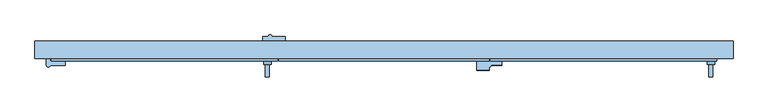
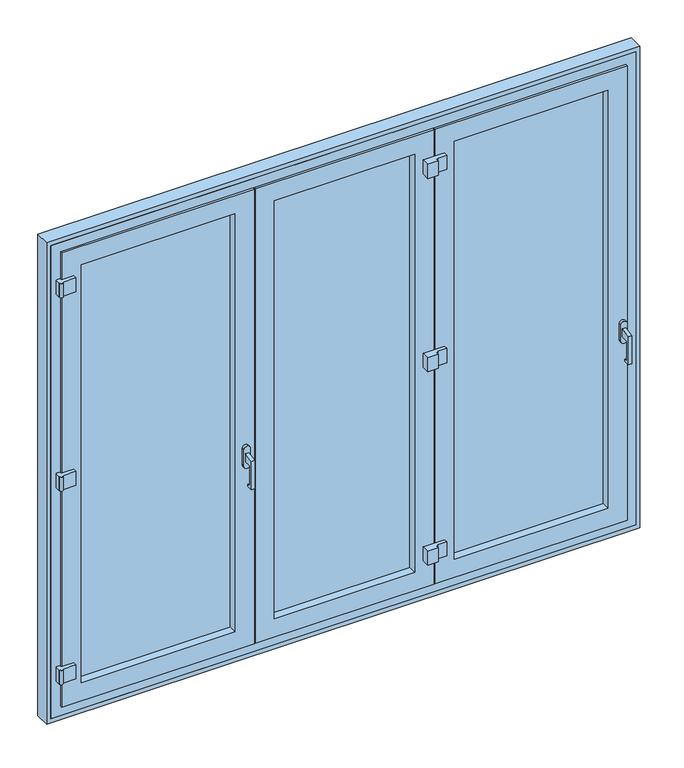
"""IFC4 building model written with IfcOpenShell, lengths in millimetres: window geometry."""

from ifc_helpers import new_model, si_unit, point, frame, frame_2d, origin, place, context, project, spatial, polyline, circle_curve, trimmed, segment, composite_curve, outline, extrude, faceted_brep, source, transform, mapped, element, save
from ifc_brep_helpers import plane_surface, cylinder_surface, advanced_brep


def window_a9c3b11c(model_context):
    return source(origin(), model_context, "Body", "SolidModel", [
        extrude(outline(polyline([(-29.0, 1000.0), (-29.0, 900.0), (-14.0, 900.0), (-14.0, 890.0), (-44.0, 890.0), (-44.0, 1031.183651), (6.0, 1040.0), (6.0, 1000.0), (-29.0, 1000.0)])), frame((-475.8333333, 0.0, 0.0), z_axis=(1.0, 0.0, 0.0), x_axis=(0.0, 1.0, 0.0)), (0.0, 0.0, 1.0), 16.0),
        advanced_brep(
        [(1326.0, 6.0, 1060.0), (1296.0, 6.0, 1060.0), (1296.0, 6.0, 980.0), (1326.0, 6.0, 980.0), (1303.0, 6.0, 1000.0), (1303.0, 6.0, 1040.0), (1319.0, 6.0, 1040.0), (1319.0, 6.0, 1000.0), (1326.0, 20.0, 1060.0), (1326.0, 20.0, 980.0), (1296.0, 20.0, 980.0), (1296.0, 20.0, 1060.0), (1303.0, -29.0, 1000.0), (1303.0, -29.0, 900.0), (1303.0, -14.0, 900.0), (1303.0, -14.0, 890.0), (1303.0, -44.0, 890.0), (1303.0, -44.0, 1031.183651), (1319.0, -29.0, 1000.0), (1319.0, -44.0, 1031.183651), (1319.0, -44.0, 890.0), (1319.0, -14.0, 890.0), (1319.0, -14.0, 900.0), (1319.0, -29.0, 900.0)],
        [
            (0, 1, circle_curve(frame((1311.0, 6.0, 1060.0), z_axis=(0.0, -1.0, 0.0), x_axis=(-1.0, 0.0, 0.0)), 15.0)),
            (1, 2),
            (2, 3, circle_curve(frame((1311.0, 6.0, 980.0), z_axis=(0.0, -1.0, 0.0), x_axis=(-1.0, 0.0, 0.0)), 15.0)),
            (3, 0),
            (4, 5),
            (5, 6),
            (6, 7),
            (7, 4),
            (8, 9),
            (9, 10, circle_curve(frame((1311.0, 20.0, 980.0), z_axis=(0.0, 1.0, 0.0), x_axis=(-1.0, 0.0, 0.0)), 15.0)),
            (10, 11),
            (11, 8, circle_curve(frame((1311.0, 20.0, 1060.0), z_axis=(0.0, 1.0, 0.0), x_axis=(-1.0, 0.0, 0.0)), 15.0)),
            (3, 9),
            (8, 0),
            (2, 10),
            (1, 11),
            (12, 13),
            (13, 14),
            (14, 15),
            (15, 16),
            (16, 17),
            (17, 5),
            (4, 12),
            (18, 7),
            (6, 19),
            (19, 20),
            (20, 21),
            (21, 22),
            (22, 23),
            (23, 18),
            (12, 18),
            (23, 13),
            (22, 14),
            (21, 15),
            (20, 16),
            (19, 17),
        ],
        [
            plane_surface(frame((1326.0, 6.0, 1060.0), z_axis=(0.0, -1.0, 0.0), x_axis=(0.0, 0.0, 1.0))),
            plane_surface(frame((1326.0, 20.0, 1060.0), z_axis=(0.0, 1.0, 0.0), x_axis=(0.0, 0.0, -1.0))),
            plane_surface(frame((1326.0, 20.0, 1060.0), z_axis=(1.0, 0.0, 0.0), x_axis=(0.0, -1.0, 0.0))),
            cylinder_surface(frame((1311.0, 6.0, 980.0), z_axis=(0.0, 1.0, 0.0), x_axis=(-1.0, 0.0, 0.0)), 15.0),
            plane_surface(frame((1296.0, 20.0, 980.0), z_axis=(-1.0, 0.0, 0.0), x_axis=(0.0, -1.0, 0.0))),
            cylinder_surface(frame((1311.0, 6.0, 1060.0), z_axis=(0.0, 1.0, 0.0), x_axis=(-1.0, 0.0, 0.0)), 15.0),
            plane_surface(frame((1303.0, -29.0, 1000.0), z_axis=(-1.0, 0.0, 0.0), x_axis=(0.0, 0.0, -1.0))),
            plane_surface(frame((1319.0, -29.0, 1000.0), z_axis=(1.0, 0.0, 0.0), x_axis=(0.0, 0.0, 1.0))),
            plane_surface(frame((1303.0, -29.0, 1000.0), z_axis=(0.0, 1.0, 0.0), x_axis=(1.0, 0.0, 0.0))),
            plane_surface(frame((1303.0, -29.0, 900.0), z_axis=(0.0, 0.0, 1.0), x_axis=(1.0, 0.0, 0.0))),
            plane_surface(frame((1303.0, -14.0, 900.0), z_axis=(0.0, 1.0, 0.0), x_axis=(1.0, 0.0, 0.0))),
            plane_surface(frame((1303.0, -14.0, 890.0), z_axis=(0.0, 0.0, -1.0), x_axis=(1.0, 0.0, 0.0))),
            plane_surface(frame((1303.0, -44.0, 890.0), z_axis=(0.0, -1.0, 0.0), x_axis=(1.0, 0.0, 0.0))),
            plane_surface(frame((1303.0, -44.0, 1031.183651), z_axis=(0.0, -0.17364817766692772, 0.9848077530122086), x_axis=(1.0, 0.0, 0.0))),
            plane_surface(frame((1303.0, 6.0, 1000.0), z_axis=(0.0, 0.0, -1.0), x_axis=(1.0, 0.0, 0.0))),
        ],
        [
            (0, [[1, 2, 3, 4], [5, 6, 7, 8]]),
            (1, [[9, 10, 11, 12]]),
            (2, [[-4, 13, -9, 14]]),
            (3, [[-3, 15, -10, -13]]),
            (4, [[-2, 16, -11, -15]]),
            (5, [[-1, -14, -12, -16]]),
            (6, [[17, 18, 19, 20, 21, 22, -5, 23]]),
            (7, [[24, -7, 25, 26, 27, 28, 29, 30]]),
            (8, [[-17, 31, -30, 32]]),
            (9, [[-18, -32, -29, 33]]),
            (10, [[-19, -33, -28, 34]]),
            (11, [[-20, -34, -27, 35]]),
            (12, [[-21, -35, -26, 36]]),
            (13, [[-22, -36, -25, -6]]),
            (14, [[-23, -8, -24, -31]]),
        ],
    ),
        advanced_brep(
        [(-452.8333333, 6.0, 1060.0), (-482.8333333, 6.0, 1060.0), (-482.8333333, 6.0, 980.0), (-452.8333333, 6.0, 980.0), (-452.8333333, 20.0, 1060.0), (-452.8333333, 20.0, 980.0), (-482.8333333, 20.0, 980.0), (-482.8333333, 20.0, 1060.0)],
        [
            (0, 1, circle_curve(frame((-467.8333333, 6.0, 1060.0), z_axis=(0.0, -1.0, 0.0), x_axis=(-1.0, 0.0, 0.0)), 15.0)),
            (1, 2),
            (2, 3, circle_curve(frame((-467.8333333, 6.0, 980.0), z_axis=(0.0, -1.0, 0.0), x_axis=(-1.0, 0.0, 0.0)), 15.0)),
            (3, 0),
            (4, 5),
            (5, 6, circle_curve(frame((-467.8333333, 20.0, 980.0), z_axis=(0.0, 1.0, 0.0), x_axis=(-1.0, 0.0, 0.0)), 15.0)),
            (6, 7),
            (7, 4, circle_curve(frame((-467.8333333, 20.0, 1060.0), z_axis=(0.0, 1.0, 0.0), x_axis=(-1.0, 0.0, 0.0)), 15.0)),
            (3, 5),
            (4, 0),
            (2, 6),
            (1, 7),
        ],
        [
            plane_surface(frame((1326.0, 6.0, 1060.0), z_axis=(0.0, -1.0, 0.0), x_axis=(0.0, 0.0, 1.0))),
            plane_surface(frame((1326.0, 20.0, 1060.0), z_axis=(0.0, 1.0, 0.0), x_axis=(0.0, 0.0, -1.0))),
            plane_surface(frame((-452.8333333, 20.0, 1060.0), z_axis=(1.0, 0.0, 0.0), x_axis=(0.0, -1.0, 0.0))),
            cylinder_surface(frame((-467.8333333, 20.0, 980.0), z_axis=(0.0, 1.0, 0.0), x_axis=(-1.0, 0.0, 0.0)), 15.0),
            plane_surface(frame((-482.8333333, 20.0, 980.0), z_axis=(-1.0, 0.0, 0.0), x_axis=(0.0, -1.0, 0.0))),
            cylinder_surface(frame((-467.8333333, 20.0, 1060.0), z_axis=(0.0, 1.0, 0.0), x_axis=(-1.0, 0.0, 0.0)), 15.0),
        ],
        [
            (0, [[1, 2, 3, 4]]),
            (1, [[5, 6, 7, 8]]),
            (2, [[-4, 9, -5, 10]]),
            (3, [[-3, 11, -6, -9]]),
            (4, [[-2, 12, -7, -11]]),
            (5, [[-1, -10, -8, -12]]),
        ],
    ),
        extrude(outline(composite_curve([segment(trimmed(circle_curve(frame_2d((-456.8333333, 117.5)), 7.5), [point((-464.3333333, 117.5))], [point((-449.3333333, 117.5))], False, "CARTESIAN"), True, "CONTINUOUS"), segment(polyline([(-449.3333333, 117.5), (-396.8333333, 117.5), (-396.8333333, 100.0), (-486.8333333, 100.0), (-486.8333333, 117.5), (-464.3333333, 117.5)]), True, "CONTINUOUS")], self_intersect=False)), frame((0.0, 0.0, 2130.0), z_axis=(0.0, 0.0, 1.0), x_axis=(1.0, 0.0, 0.0)), (0.0, 0.0, 1.0), 70.0),
        extrude(outline(composite_curve([segment(trimmed(circle_curve(frame_2d((-1346.0, 2.5)), 7.5), [point((-1338.5119907, 2.0760699))], [point((-1353.4880093, 2.0760699))], False, "CARTESIAN"), True, "CONTINUOUS"), segment(polyline([(-1353.4880093, 2.0760699), (-1355.5119907, 2.0760699), (-1355.5119907, 30.0), (-1338.5119907, 30.0), (-1338.5119907, 20.0), (-1278.5119907, 20.0), (-1278.5119907, 2.0760699), (-1338.5119907, 2.0760699)]), True, "CONTINUOUS")], self_intersect=False)), frame((0.0, 0.0, 2130.0), z_axis=(0.0, 0.0, 1.0), x_axis=(1.0, 0.0, 0.0)), (0.0, 0.0, 1.0), 70.0),
        extrude(outline(composite_curve([segment(trimmed(circle_curve(frame_2d((421.8333333, 2.5)), 7.5), [point((429.3333333, 2.5))], [point((421.8333333, -5.0))], False, "CARTESIAN"), True, "CONTINUOUS"), segment(polyline([(421.8333333, -5.0), (421.8333333, -17.5), (371.8333333, -17.5), (371.8333333, 20.0), (471.8333333, 20.0), (471.8333333, 2.5), (429.3333333, 2.5)]), True, "CONTINUOUS")], self_intersect=False)), frame((0.0, 0.0, 2130.0), z_axis=(0.0, 0.0, 1.0), x_axis=(1.0, 0.0, 0.0)), (0.0, 0.0, 1.0), 70.0),
        extrude(outline(composite_curve([segment(trimmed(circle_curve(frame_2d((-456.8333333, 117.5)), 7.5), [point((-464.3333333, 117.5))], [point((-449.3333333, 117.5))], False, "CARTESIAN"), True, "CONTINUOUS"), segment(polyline([(-449.3333333, 117.5), (-396.8333333, 117.5), (-396.8333333, 100.0), (-486.8333333, 100.0), (-486.8333333, 117.5), (-464.3333333, 117.5)]), True, "CONTINUOUS")], self_intersect=False)), frame((0.0, 0.0, 200.0), z_axis=(0.0, 0.0, 1.0), x_axis=(1.0, 0.0, 0.0)), (0.0, 0.0, 1.0), 70.0),
        extrude(outline(composite_curve([segment(polyline([(-1338.5119907, 20.0), (-1278.5119907, 20.0), (-1278.5119907, 2.0760699), (-1338.5119907, 2.0760699)]), True, "CONTINUOUS"), segment(trimmed(circle_curve(frame_2d((-1346.0, 2.5)), 7.5), [point((-1338.5119907, 2.0760699))], [point((-1353.4880093, 2.0760699))], False, "CARTESIAN"), True, "CONTINUOUS"), segment(polyline([(-1353.4880093, 2.0760699), (-1355.5119907, 2.0760699), (-1355.5119907, 30.0), (-1338.5119907, 30.0), (-1338.5119907, 20.0)]), True, "CONTINUOUS")], self_intersect=False)), frame((0.0, 0.0, 200.0), z_axis=(0.0, 0.0, 1.0), x_axis=(1.0, 0.0, 0.0)), (0.0, 0.0, 1.0), 70.0),
        extrude(outline(composite_curve([segment(polyline([(471.8333333, 20.0), (471.8333333, 2.5), (429.3333333, 2.5)]), True, "CONTINUOUS"), segment(trimmed(circle_curve(frame_2d((421.8333333, 2.5)), 7.5), [point((429.3333333, 2.5))], [point((421.8333333, -5.0))], False, "CARTESIAN"), True, "CONTINUOUS"), segment(polyline([(421.8333333, -5.0), (421.8333333, -17.5), (371.8333333, -17.5), (371.8333333, 20.0), (471.8333333, 20.0)]), True, "CONTINUOUS")], self_intersect=False)), frame((0.0, 0.0, 200.0), z_axis=(0.0, 0.0, 1.0), x_axis=(1.0, 0.0, 0.0)), (0.0, 0.0, 1.0), 70.0),
        extrude(outline(composite_curve([segment(trimmed(circle_curve(frame_2d((-1346.0, 2.5)), 7.5), [point((-1338.5119907, 2.0760699))], [point((-1353.4880093, 2.0760699))], False, "CARTESIAN"), True, "CONTINUOUS"), segment(polyline([(-1353.4880093, 2.0760699), (-1355.5119907, 2.0760699), (-1355.5119907, 30.0), (-1338.5119907, 30.0), (-1338.5119907, 20.0), (-1278.5119907, 20.0), (-1278.5119907, 2.0760699), (-1338.5119907, 2.0760699)]), True, "CONTINUOUS")], self_intersect=False)), frame((0.0, 0.0, 1165.0), z_axis=(0.0, 0.0, 1.0), x_axis=(1.0, 0.0, 0.0)), (0.0, 0.0, 1.0), 70.0),
        extrude(outline(composite_curve([segment(trimmed(circle_curve(frame_2d((-456.8333333, 117.5)), 7.5), [point((-464.3333333, 117.5))], [point((-449.3333333, 117.5))], False, "CARTESIAN"), True, "CONTINUOUS"), segment(polyline([(-449.3333333, 117.5), (-396.8333333, 117.5), (-396.8333333, 100.0), (-486.8333333, 100.0), (-486.8333333, 117.5), (-464.3333333, 117.5)]), True, "CONTINUOUS")], self_intersect=False)), frame((0.0, 0.0, 1165.0), z_axis=(0.0, 0.0, 1.0), x_axis=(1.0, 0.0, 0.0)), (0.0, 0.0, 1.0), 70.0),
        extrude(outline(composite_curve([segment(trimmed(circle_curve(frame_2d((421.8333333, 2.5)), 7.5), [point((429.3333333, 2.5))], [point((421.8333333, -5.0))], False, "CARTESIAN"), True, "CONTINUOUS"), segment(polyline([(421.8333333, -5.0), (421.8333333, -17.5), (371.8333333, -17.5), (371.8333333, 20.0), (471.8333333, 20.0), (471.8333333, 2.5), (429.3333333, 2.5)]), True, "CONTINUOUS")], self_intersect=False)), frame((0.0, 0.0, 1165.0), z_axis=(0.0, 0.0, 1.0), x_axis=(1.0, 0.0, 0.0)), (0.0, 0.0, 1.0), 70.0),
        extrude(outline(polyline([(-498.8333333, 60.0), (-1261.0, 60.0), (-1261.0, 91.0), (-498.8333333, 91.0), (-498.8333333, 60.0)])), frame((0.0, 0.0, 139.0), z_axis=(0.0, 0.0, 1.0), x_axis=(1.0, 0.0, 0.0)), (0.0, 0.0, 1.0), 2122.0),
        extrude(outline(polyline([(348.8333333, 60.0), (-348.8333333, 60.0), (-348.8333333, 91.0), (348.8333333, 91.0), (348.8333333, 60.0)])), frame((0.0, 0.0, 139.0), z_axis=(0.0, 0.0, 1.0), x_axis=(1.0, 0.0, 0.0)), (0.0, 0.0, 1.0), 2122.0),
        extrude(outline(polyline([(1261.0, 60.0), (498.8333333, 60.0), (498.8333333, 91.0), (1261.0, 91.0), (1261.0, 60.0)])), frame((0.0, 0.0, 139.0), z_axis=(0.0, 0.0, 1.0), x_axis=(1.0, 0.0, 0.0)), (0.0, 0.0, 1.0), 2122.0),
        faceted_brep([(-330.8333333, 60.0, 2243.0), (-330.8333333, 20.0, 2243.0), (-330.8333333, 20.0, 157.0), (-330.8333333, 60.0, 157.0), (-348.8333333, 91.0, 2261.0), (-348.8333333, 60.0, 2261.0), (-348.8333333, 60.0, 139.0), (-348.8333333, 91.0, 139.0), (-330.8333333, 100.0, 2243.0), (-330.8333333, 91.0, 2243.0), (-330.8333333, 91.0, 157.0), (-330.8333333, 100.0, 157.0), (-384.8333333, 95.0, 2297.0), (-384.8333333, 100.0, 2297.0), (-384.8333333, 100.0, 103.0), (-384.8333333, 95.0, 103.0), (-405.8333333, 95.0, 82.0), (-405.8333333, 30.0, 82.0), (-405.8333333, 30.0, 103.0), (-405.8333333, 95.0, 103.0), (-405.8333333, 30.0, 2318.0), (-405.8333333, 95.0, 2318.0), (-405.8333333, 95.0, 2297.0), (-405.8333333, 30.0, 2297.0), (-421.8333333, 20.0, 2334.0), (-421.8333333, 30.0, 2334.0), (-421.8333333, 30.0, 2297.0), (-421.8333333, 30.0, 103.0), (-421.8333333, 30.0, 66.0), (-421.8333333, 20.0, 66.0), (330.8333333, 20.0, 157.0), (330.8333333, 60.0, 157.0), (348.8333333, 60.0, 139.0), (348.8333333, 91.0, 139.0), (330.8333333, 91.0, 157.0), (330.8333333, 100.0, 157.0), (384.8333333, 100.0, 103.0), (384.8333333, 95.0, 103.0), (405.8333333, 95.0, 82.0), (405.8333333, 30.0, 82.0), (421.8333333, 30.0, 66.0), (421.8333333, 20.0, 66.0), (330.8333333, 20.0, 2243.0), (330.8333333, 60.0, 2243.0), (348.8333333, 60.0, 2261.0), (348.8333333, 91.0, 2261.0), (330.8333333, 91.0, 2243.0), (330.8333333, 100.0, 2243.0), (384.8333333, 100.0, 2297.0), (384.8333333, 95.0, 2297.0), (405.8333333, 95.0, 103.0), (405.8333333, 30.0, 103.0), (405.8333333, 95.0, 2318.0), (405.8333333, 30.0, 2318.0), (405.8333333, 30.0, 2297.0), (405.8333333, 95.0, 2297.0), (421.8333333, 30.0, 103.0), (421.8333333, 30.0, 2297.0), (421.8333333, 30.0, 2334.0), (421.8333333, 20.0, 2334.0), (-390.8333333, 95.0, 103.0), (-390.8333333, 95.0, 2297.0), (390.8333333, 95.0, 2297.0), (390.8333333, 95.0, 103.0), (-390.8333333, 100.0, 2297.0), (-456.8333333, 100.0, 2297.0), (-456.8333333, 95.0, 2297.0), (-441.8333333, 95.0, 2297.0), (-441.8333333, 30.0, 2297.0), (-441.8333333, 30.0, 103.0), (-441.8333333, 95.0, 103.0), (-456.8333333, 95.0, 103.0), (-456.8333333, 100.0, 103.0), (-390.8333333, 100.0, 103.0), (441.8333333, 30.0, 2297.0), (441.8333333, 95.0, 2297.0), (456.8333333, 95.0, 2297.0), (456.8333333, 100.0, 2297.0), (390.8333333, 100.0, 2297.0), (390.8333333, 100.0, 103.0), (456.8333333, 100.0, 103.0), (456.8333333, 95.0, 103.0), (441.8333333, 95.0, 103.0), (441.8333333, 30.0, 103.0)], [[[0, 1, 2, 3]], [[4, 5, 6, 7]], [[8, 9, 10, 11]], [[12, 13, 14, 15]], [[16, 17, 18, 19]], [[20, 21, 22, 23]], [[24, 25, 26, 27, 28, 29]], [[3, 2, 30, 31]], [[7, 6, 32, 33]], [[11, 10, 34, 35]], [[15, 14, 36, 37]], [[17, 16, 38, 39]], [[29, 28, 40, 41]], [[31, 30, 42, 43]], [[33, 32, 44, 45]], [[35, 34, 46, 47]], [[37, 36, 48, 49]], [[39, 38, 50, 51]], [[52, 53, 54, 55]], [[41, 40, 56, 57, 58, 59]], [[1, 0, 43, 42]], [[6, 5, 44, 32], [0, 3, 31, 43]], [[5, 4, 45, 44]], [[4, 7, 33, 45], [10, 9, 46, 34]], [[9, 8, 47, 46]], [[14, 13, 48, 36], [8, 11, 35, 47]], [[13, 12, 49, 48]], [[38, 16, 19, 60, 61, 22, 21, 52, 55, 62, 63, 50], [12, 15, 37, 49]], [[21, 20, 53, 52]], [[17, 39, 51, 56, 40, 28, 27, 18]], [[53, 20, 23, 26, 25, 58, 57, 54]], [[25, 24, 59, 58]], [[24, 29, 41, 59], [2, 1, 42, 30]], [[61, 64, 65, 66, 67, 68, 26, 23, 22]], [[69, 70, 71, 72, 73, 60, 19, 18, 27]], [[64, 61, 60, 73]], [[65, 64, 73, 72]], [[66, 65, 72, 71]], [[67, 66, 71, 70]], [[68, 67, 70, 69]], [[68, 69, 27, 26]], [[74, 75, 76, 77, 78, 62, 55, 54, 57]], [[63, 79, 80, 81, 82, 83, 56, 51, 50]], [[62, 78, 79, 63]], [[78, 77, 80, 79]], [[77, 76, 81, 80]], [[76, 75, 82, 81]], [[75, 74, 83, 82]], [[83, 74, 57, 56]]]),
        faceted_brep([(516.8333333, 60.0, 2243.0), (516.8333333, 20.0, 2243.0), (516.8333333, 20.0, 157.0), (516.8333333, 60.0, 157.0), (498.8333333, 91.0, 2261.0), (498.8333333, 60.0, 2261.0), (498.8333333, 60.0, 139.0), (498.8333333, 91.0, 139.0), (516.8333333, 100.0, 2243.0), (516.8333333, 91.0, 2243.0), (516.8333333, 91.0, 157.0), (516.8333333, 100.0, 157.0), (462.8333333, 95.0, 2297.0), (462.8333333, 100.0, 2297.0), (462.8333333, 100.0, 103.0), (462.8333333, 95.0, 103.0), (441.8333333, 30.0, 2318.0), (441.8333333, 95.0, 2318.0), (441.8333333, 95.0, 82.0), (441.8333333, 30.0, 82.0), (425.8333333, 20.0, 2334.0), (425.8333333, 30.0, 2334.0), (425.8333333, 30.0, 66.0), (425.8333333, 20.0, 66.0), (1243.0, 20.0, 157.0), (1243.0, 60.0, 157.0), (1261.0, 60.0, 139.0), (1261.0, 91.0, 139.0), (1243.0, 91.0, 157.0), (1243.0, 100.0, 157.0), (1297.0, 100.0, 103.0), (1297.0, 95.0, 103.0), (1318.0, 95.0, 82.0), (1318.0, 30.0, 82.0), (1334.0, 30.0, 66.0), (1334.0, 20.0, 66.0), (1243.0, 20.0, 2243.0), (1243.0, 60.0, 2243.0), (1261.0, 60.0, 2261.0), (1261.0, 91.0, 2261.0), (1243.0, 91.0, 2243.0), (1243.0, 100.0, 2243.0), (1297.0, 100.0, 2297.0), (1297.0, 95.0, 2297.0), (1318.0, 95.0, 2318.0), (1318.0, 30.0, 2318.0), (1334.0, 30.0, 2334.0), (1334.0, 20.0, 2334.0)], [[[0, 1, 2, 3]], [[4, 5, 6, 7]], [[8, 9, 10, 11]], [[12, 13, 14, 15]], [[16, 17, 18, 19]], [[20, 21, 22, 23]], [[3, 2, 24, 25]], [[7, 6, 26, 27]], [[11, 10, 28, 29]], [[15, 14, 30, 31]], [[19, 18, 32, 33]], [[23, 22, 34, 35]], [[25, 24, 36, 37]], [[27, 26, 38, 39]], [[29, 28, 40, 41]], [[31, 30, 42, 43]], [[33, 32, 44, 45]], [[35, 34, 46, 47]], [[37, 36, 1, 0]], [[5, 38, 26, 6], [3, 25, 37, 0]], [[39, 38, 5, 4]], [[7, 27, 39, 4], [9, 40, 28, 10]], [[41, 40, 9, 8]], [[13, 42, 30, 14], [11, 29, 41, 8]], [[43, 42, 13, 12]], [[17, 44, 32, 18], [15, 31, 43, 12]], [[45, 44, 17, 16]], [[21, 46, 34, 22], [19, 33, 45, 16]], [[47, 46, 21, 20]], [[23, 35, 47, 20], [1, 36, 24, 2]]]),
        faceted_brep([(-1243.0, 60.0, 2243.0), (-1243.0, 20.0, 2243.0), (-1243.0, 20.0, 157.0), (-1243.0, 60.0, 157.0), (-1261.0, 91.0, 2261.0), (-1261.0, 60.0, 2261.0), (-1261.0, 60.0, 139.0), (-1261.0, 91.0, 139.0), (-1243.0, 100.0, 2243.0), (-1243.0, 91.0, 2243.0), (-1243.0, 91.0, 157.0), (-1243.0, 100.0, 157.0), (-1297.0, 95.0, 2297.0), (-1297.0, 100.0, 2297.0), (-1297.0, 100.0, 103.0), (-1297.0, 95.0, 103.0), (-1318.0, 30.0, 2318.0), (-1318.0, 95.0, 2318.0), (-1318.0, 95.0, 82.0), (-1318.0, 30.0, 82.0), (-1334.0, 20.0, 2334.0), (-1334.0, 30.0, 2334.0), (-1334.0, 30.0, 66.0), (-1334.0, 20.0, 66.0), (-516.8333333, 20.0, 157.0), (-516.8333333, 60.0, 157.0), (-498.8333333, 60.0, 139.0), (-498.8333333, 91.0, 139.0), (-516.8333333, 91.0, 157.0), (-516.8333333, 100.0, 157.0), (-462.8333333, 100.0, 103.0), (-462.8333333, 95.0, 103.0), (-441.8333333, 95.0, 82.0), (-441.8333333, 30.0, 82.0), (-425.8333333, 30.0, 66.0), (-425.8333333, 20.0, 66.0), (-516.8333333, 20.0, 2243.0), (-516.8333333, 60.0, 2243.0), (-498.8333333, 60.0, 2261.0), (-498.8333333, 91.0, 2261.0), (-516.8333333, 91.0, 2243.0), (-516.8333333, 100.0, 2243.0), (-462.8333333, 100.0, 2297.0), (-462.8333333, 95.0, 2297.0), (-441.8333333, 95.0, 2318.0), (-441.8333333, 30.0, 2318.0), (-425.8333333, 30.0, 2334.0), (-425.8333333, 20.0, 2334.0)], [[[0, 1, 2, 3]], [[4, 5, 6, 7]], [[8, 9, 10, 11]], [[12, 13, 14, 15]], [[16, 17, 18, 19]], [[20, 21, 22, 23]], [[3, 2, 24, 25]], [[7, 6, 26, 27]], [[11, 10, 28, 29]], [[15, 14, 30, 31]], [[19, 18, 32, 33]], [[23, 22, 34, 35]], [[25, 24, 36, 37]], [[27, 26, 38, 39]], [[29, 28, 40, 41]], [[31, 30, 42, 43]], [[33, 32, 44, 45]], [[35, 34, 46, 47]], [[37, 36, 1, 0]], [[5, 38, 26, 6], [3, 25, 37, 0]], [[39, 38, 5, 4]], [[7, 27, 39, 4], [9, 40, 28, 10]], [[41, 40, 9, 8]], [[13, 42, 30, 14], [11, 29, 41, 8]], [[43, 42, 13, 12]], [[17, 44, 32, 18], [15, 31, 43, 12]], [[45, 44, 17, 16]], [[21, 46, 34, 22], [19, 33, 45, 16]], [[47, 46, 21, 20]], [[23, 35, 47, 20], [1, 36, 24, 2]]]),
        faceted_brep([(1303.0, 95.0, 2303.0), (1303.0, 100.0, 2303.0), (1303.0, 100.0, 97.0), (1303.0, 95.0, 97.0), (1318.0, 30.0, 2318.0), (1318.0, 95.0, 2318.0), (1318.0, 95.0, 82.0), (1318.0, 30.0, 82.0), (1380.0, 100.0, 2380.0), (1380.0, 30.0, 2380.0), (1380.0, 30.0, 20.0), (1380.0, 100.0, 20.0), (-1303.0, 100.0, 97.0), (-1303.0, 95.0, 97.0), (-1318.0, 95.0, 82.0), (-1318.0, 30.0, 82.0), (-1380.0, 30.0, 20.0), (-1380.0, 100.0, 20.0), (-1303.0, 100.0, 2303.0), (-1303.0, 95.0, 2303.0), (-1318.0, 95.0, 2318.0), (-1318.0, 30.0, 2318.0), (-1380.0, 30.0, 2380.0), (-1380.0, 100.0, 2380.0)], [[[0, 1, 2, 3]], [[4, 5, 6, 7]], [[8, 9, 10, 11]], [[3, 2, 12, 13]], [[7, 6, 14, 15]], [[11, 10, 16, 17]], [[13, 12, 18, 19]], [[15, 14, 20, 21]], [[17, 16, 22, 23]], [[19, 18, 1, 0]], [[5, 20, 14, 6], [3, 13, 19, 0]], [[21, 20, 5, 4]], [[9, 22, 16, 10], [7, 15, 21, 4]], [[23, 22, 9, 8]], [[11, 17, 23, 8], [1, 18, 12, 2]]]),
        extrude(outline(polyline([(2400.0, 1400.0), (2400.0, -1400.0), (0.0, -1400.0), (0.0, 1400.0), (2400.0, 1400.0)]), holes=[polyline([(20.0, -1380.0), (2380.0, -1380.0), (2380.0, 1380.0), (20.0, 1380.0), (20.0, -1380.0)])]), frame((0.0, 30.0, 0.0), z_axis=(0.0, 1.0, 0.0), x_axis=(0.0, 0.0, 1.0)), (0.0, 0.0, 1.0), 70.0),
    ])


if __name__ == "__main__":
    model = new_model("IFC4")
    model_context = context("Model", 3, world=origin())
    ifc_project = project(units=[si_unit("LENGTHUNIT", "METRE", prefix="MILLI")], contexts=[model_context])
    site = spatial("IfcSite", under=ifc_project)
    building = spatial("IfcBuilding", under=site)
    placement = place(None, origin())
    window_shape = window_a9c3b11c(model_context)
    element("IfcWindow", 1, at=placement, inside=building, context=model_context, shape_type="MappedRepresentation", body=[
        mapped(window_shape, transform((0.0, 0.0, 0.0), x_axis=(1.0, 0.0, 0.0), y_axis=(0.0, 1.0, 0.0), z_axis=(0.0, 0.0, 1.0))),
    ])
    save(model, "model.ifc")
